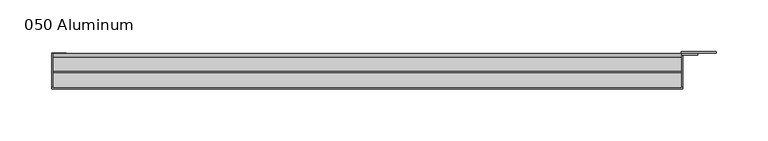
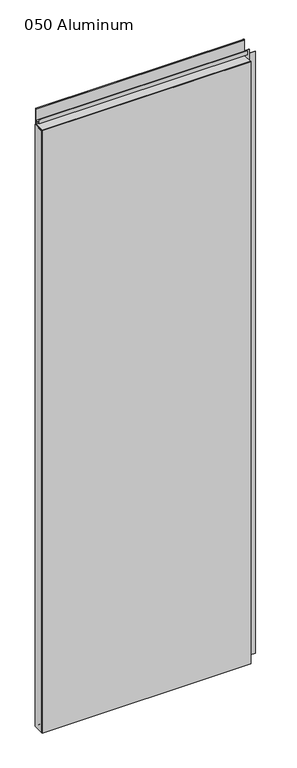
"""IFC4 building model written with IfcOpenShell, lengths in millimetres: plate geometry, 050 Aluminum."""

from ifc_helpers import new_model, si_unit, point, frame, frame_2d, origin, origin_with_axes, place, context, project, spatial, polyline, circle_curve, trimmed, segment, composite_curve, outline, extrude, source, transform, mapped, element, save


def plate_050_aluminum_49d32b68(model_context):
    return source(origin(), model_context, "Body", "SweptSolid", [
        extrude(outline(polyline([(-309.88, -2.5660257), (-309.88, -34.7980001), (-311.1499999, -34.7980001), (-311.1499999, -1.2699999), (-296.9894994, -1.2699999), (-296.9894994, -2.5660257), (-309.88, -2.5660257)])), origin_with_axes(), (0.0, 0.0, 1.0), 1852.93),
        extrude(outline(composite_curve([segment(polyline([(-16.6765477, 13.1458337), (-16.6765477, 2.786437), (-17.9464915, 2.786437), (-17.9464915, 13.1323356)]), True, "CONTINUOUS"), segment(trimmed(circle_curve(frame_2d((-19.8514743, 13.124237)), 1.905), [point((-17.9464915, 13.1323356))], [point((-21.7564743, 13.124237))], True, "CARTESIAN"), True, "CONTINUOUS"), segment(polyline([(-21.7564743, 13.124237), (-21.7564743, 0.0), (-34.7980002, 0.0), (-34.7980002, 1.2693678), (-23.0264743, 1.2693678), (-23.0264743, 13.124237)]), True, "CONTINUOUS"), segment(trimmed(circle_curve(frame_2d((-19.8514743, 13.124237)), 3.175), [point((-23.0264743, 13.124237))], [point((-16.6765477, 13.1458337))], False, "CARTESIAN"), True, "CONTINUOUS")], self_intersect=False)), frame((-309.88, 0.0, 0.0), z_axis=(1.0, 0.0, 0.0), x_axis=(0.0, 1.0, 0.0)), (0.0, 0.0, 1.0), 607.06),
        extrude(outline(composite_curve([segment(polyline([(-2.0574743, 1901.3932001), (-2.0574743, 1852.93), (-34.7980002, 1852.93), (-34.7980002, 1854.2000001), (-3.3274743, 1854.2000001), (-3.3274743, 1901.3932001)]), True, "CONTINUOUS"), segment(trimmed(circle_curve(frame_2d((-3.7084742, 1901.3932001)), 0.3809999), [point((-3.3274743, 1901.3932001))], [point((-4.0894742, 1901.3932001))], True, "CARTESIAN"), True, "CONTINUOUS"), segment(polyline([(-4.0894742, 1901.3932001), (-4.0894742, 1866.9), (-20.4864742, 1866.9), (-20.4864742, 1878.2538), (-19.2164743, 1878.2538), (-19.2164743, 1868.17), (-5.3594742, 1868.17), (-5.3594742, 1901.3932001)]), True, "CONTINUOUS"), segment(trimmed(circle_curve(frame_2d((-3.7084742, 1901.3932001)), 1.6509999), [point((-5.3594742, 1901.3932001))], [point((-2.0574743, 1901.3932001))], False, "CARTESIAN"), True, "CONTINUOUS")], self_intersect=False)), frame((-309.88, 0.0, 0.0), z_axis=(1.0, 0.0, 0.0), x_axis=(0.0, 1.0, 0.0)), (0.0, 0.0, 1.0), 607.06),
        extrude(outline(polyline([(-311.15, -36.068), (-311.15, -34.7980001), (298.45, -34.7980001), (298.45, -36.068), (-311.15, -36.068)])), origin_with_axes(), (0.0, 0.0, 1.0), 1854.2),
        extrude(outline(polyline([(298.45, -1.2699999), (298.45, -34.7980002), (297.1800001, -34.7980002), (297.1800001, 0.0), (330.9620856, 0.0), (330.9620856, -1.2699999), (298.45, -1.2699999)])), origin_with_axes(), (0.0, 0.0, 1.0), 1852.93),
        extrude(outline(polyline([(297.18, -3.3274743), (297.18, -2.0574743), (312.9279999, -2.0574743), (312.9279999, -3.3274743), (297.18, -3.3274743)])), origin_with_axes(), (0.0, 0.0, 1.0), 1866.9),
    ])


if __name__ == "__main__":
    model = new_model("IFC4")
    model_context = context("Model", 3, world=origin())
    ifc_project = project(units=[si_unit("LENGTHUNIT", "METRE", prefix="MILLI")], contexts=[model_context])
    site = spatial("IfcSite", under=ifc_project)
    building = spatial("IfcBuilding", under=site)
    placement = place(None, origin())
    plate_050_aluminum_shape = plate_050_aluminum_49d32b68(model_context)
    element("IfcPlate", 1, ObjectType="050 Aluminum", at=placement, inside=building, context=model_context, shape_type="MappedRepresentation", body=[
        mapped(plate_050_aluminum_shape, transform((0.0, 0.0, 0.0), x_axis=(1.0, 0.0, 0.0), y_axis=(0.0, 1.0, 0.0), z_axis=(0.0, 0.0, 1.0))),
    ])
    save(model, "model.ifc")
